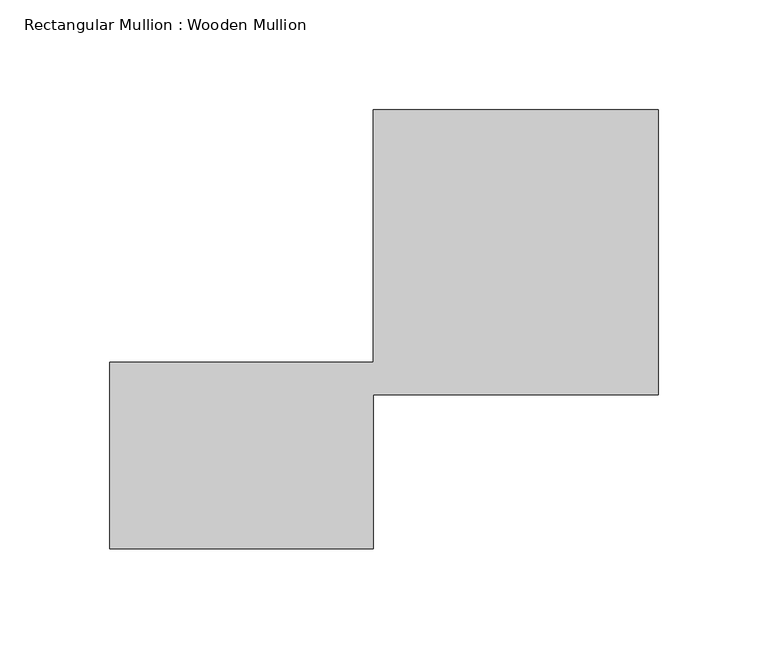
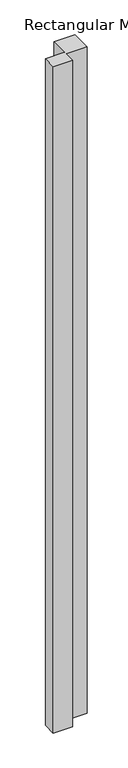
"""IFC4 building model written with IfcOpenShell, lengths in millimetres: member geometry, Rectangular Mullion : Wooden Mullion."""

from ifc_helpers import new_model, si_unit, frame, origin, place, context, project, spatial, polyline, outline, extrude, source, transform, mapped, element, save


def rectangular_mullion_wooden_mullion_cc27335f(model_context):
    return source(origin(), model_context, "Body", "SweptSolid", [
        extrude(outline(polyline([(74.8100006, -26.0137344), (-45.1899994, -26.0137344), (-45.1899994, 58.9862656), (74.8100006, 58.9862656), (74.8100006, 173.9862656), (204.8100006, 173.9862656), (204.8100006, 43.9862656), (74.8100006, 43.9862656), (74.8100006, -26.0137344)])), frame((0.0, 0.0, -4393.8126667), z_axis=(0.0, 0.0, 1.0), x_axis=(1.0, 0.0, 0.0)), (0.0, 0.0, 1.0), 4393.8126667),
    ])


if __name__ == "__main__":
    model = new_model("IFC4")
    model_context = context("Model", 3, world=origin())
    ifc_project = project(units=[si_unit("LENGTHUNIT", "METRE", prefix="MILLI")], contexts=[model_context])
    site = spatial("IfcSite", under=ifc_project)
    building = spatial("IfcBuilding", under=site)
    placement = place(None, origin())
    rectangular_mullion_wooden_mullion_shape = rectangular_mullion_wooden_mullion_cc27335f(model_context)
    element("IfcMember", 1, ObjectType="Rectangular Mullion : Wooden Mullion", at=placement, inside=building, context=model_context, shape_type="MappedRepresentation", body=[
        mapped(rectangular_mullion_wooden_mullion_shape, transform((0.0, 0.0, 0.0), x_axis=(1.0, 0.0, 0.0), y_axis=(0.0, 1.0, 0.0), z_axis=(0.0, 0.0, 1.0))),
    ])
    save(model, "model.ifc")
